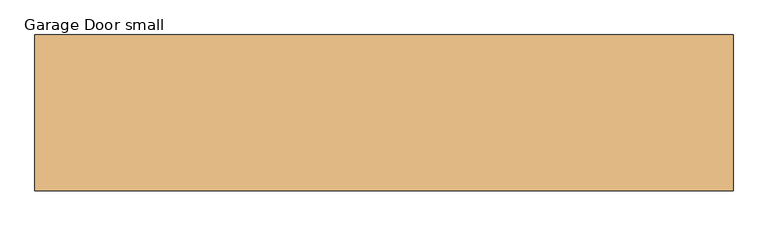
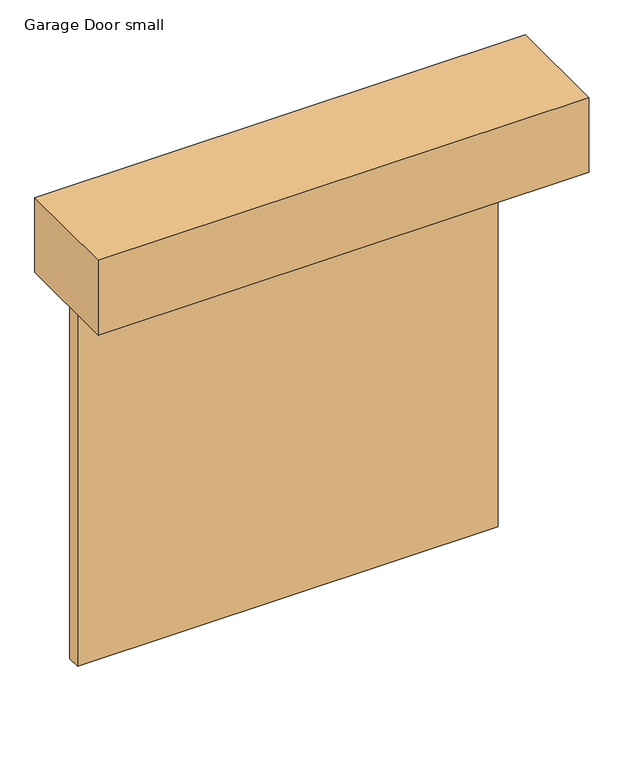
"""IFC4 building model written with IfcOpenShell, lengths in millimetres: door geometry, Garage Door small."""

from ifc_helpers import new_model, si_unit, frame, origin, place, context, project, spatial, polyline, outline, extrude, faceted_brep, source, transform, mapped, element, save


def garage_door_small_449bd08f(model_context):
    return source(origin(), model_context, "Body", "SolidModel", [
        faceted_brep([(1219.2, -57.15, 2438.4), (-1219.2, -57.15, 2438.4), (-1219.2, -133.35, 2438.4), (1219.2, -133.35, 2438.4), (1219.2, -57.15, 0.0), (1219.2, -133.35, 0.0), (-1219.2, -133.35, 0.0), (-1219.2, -57.15, 0.0), (76.2, -57.15, 2336.8), (76.2, -57.15, 1854.2), (1143.0, -57.15, 1854.2), (1143.0, -57.15, 2336.8), (-76.2, -57.15, 2336.8), (-1143.0, -57.15, 2336.8), (-1143.0, -57.15, 1854.2), (-76.2, -57.15, 1854.2), (76.2, -57.15, 1778.0), (76.2, -57.15, 1295.4), (1143.0, -57.15, 1295.4), (1143.0, -57.15, 1778.0), (-76.2, -57.15, 1778.0), (-1143.0, -57.15, 1778.0), (-1143.0, -57.15, 1295.4), (-76.2, -57.15, 1295.4), (76.2, -57.15, 1219.2), (76.2, -57.15, 736.6), (1143.0, -57.15, 736.6), (1143.0, -57.15, 1219.2), (-76.2, -57.15, 1219.2), (-1143.0, -57.15, 1219.2), (-1143.0, -57.15, 736.6), (-76.2, -57.15, 736.6), (76.2, -57.15, 660.4), (76.2, -57.15, 177.8), (1143.0, -57.15, 177.8), (1143.0, -57.15, 660.4), (-76.2, -57.15, 660.4), (-1143.0, -57.15, 660.4), (-1143.0, -57.15, 177.8), (-76.2, -57.15, 177.8), (76.2, -64.8193273, 2336.8), (1143.0, -64.8193273, 2336.8), (1143.0, -64.8193273, 1854.2), (76.2, -64.8193273, 1854.2), (-76.2, -64.8193273, 2336.8), (-76.2, -64.8193273, 1854.2), (-1143.0, -64.8193273, 1854.2), (-1143.0, -64.8193273, 2336.8), (76.2, -64.8193273, 1778.0), (1143.0, -64.8193273, 1778.0), (1143.0, -64.8193273, 1295.4), (76.2, -64.8193273, 1295.4), (-76.2, -64.8193273, 1778.0), (-76.2, -64.8193273, 1295.4), (-1143.0, -64.8193273, 1295.4), (-1143.0, -64.8193273, 1778.0), (76.2, -64.8193273, 1219.2), (1143.0, -64.8193273, 1219.2), (1143.0, -64.8193273, 736.6), (76.2, -64.8193273, 736.6), (-76.2, -64.8193273, 1219.2), (-76.2, -64.8193273, 736.6), (-1143.0, -64.8193273, 736.6), (-1143.0, -64.8193273, 1219.2), (76.2, -64.8193273, 660.4), (1143.0, -64.8193273, 660.4), (1143.0, -64.8193273, 177.8), (76.2, -64.8193273, 177.8), (-76.2, -64.8193273, 660.4), (-76.2, -64.8193273, 177.8), (-1143.0, -64.8193273, 177.8), (-1143.0, -64.8193273, 660.4)], [[[0, 1, 2, 3]], [[4, 5, 6, 7]], [[1, 0, 4, 7], [8, 9, 10, 11], [12, 13, 14, 15], [16, 17, 18, 19], [20, 21, 22, 23], [24, 25, 26, 27], [28, 29, 30, 31], [32, 33, 34, 35], [36, 37, 38, 39]], [[2, 1, 7, 6]], [[3, 2, 6, 5]], [[0, 3, 5, 4]], [[40, 41, 42, 43]], [[44, 45, 46, 47]], [[48, 49, 50, 51]], [[52, 53, 54, 55]], [[56, 57, 58, 59]], [[60, 61, 62, 63]], [[64, 65, 66, 67]], [[68, 69, 70, 71]], [[40, 43, 9, 8]], [[43, 42, 10, 9]], [[42, 41, 11, 10]], [[41, 40, 8, 11]], [[44, 47, 13, 12]], [[47, 46, 14, 13]], [[46, 45, 15, 14]], [[45, 44, 12, 15]], [[48, 51, 17, 16]], [[51, 50, 18, 17]], [[50, 49, 19, 18]], [[49, 48, 16, 19]], [[52, 55, 21, 20]], [[55, 54, 22, 21]], [[54, 53, 23, 22]], [[53, 52, 20, 23]], [[56, 59, 25, 24]], [[59, 58, 26, 25]], [[58, 57, 27, 26]], [[57, 56, 24, 27]], [[60, 63, 29, 28]], [[63, 62, 30, 29]], [[62, 61, 31, 30]], [[61, 60, 28, 31]], [[64, 67, 33, 32]], [[67, 66, 34, 33]], [[66, 65, 35, 34]], [[65, 64, 32, 35]], [[68, 71, 37, 36]], [[71, 70, 38, 37]], [[70, 69, 39, 38]], [[69, 68, 36, 39]]]),
        extrude(outline(polyline([(1422.4, -692.15), (-1422.4, -692.15), (-1422.4, -57.15), (1422.4, -57.15), (1422.4, -692.15)])), frame((0.0, 0.0, 2438.4), z_axis=(0.0, 0.0, 1.0), x_axis=(1.0, 0.0, 0.0)), (0.0, 0.0, 1.0), 457.2),
    ])


if __name__ == "__main__":
    model = new_model("IFC4")
    model_context = context("Model", 3, world=origin())
    ifc_project = project(units=[si_unit("LENGTHUNIT", "METRE", prefix="MILLI")], contexts=[model_context])
    site = spatial("IfcSite", under=ifc_project)
    building = spatial("IfcBuilding", under=site)
    placement = place(None, origin())
    garage_door_small_shape = garage_door_small_449bd08f(model_context)
    element("IfcDoor", 1, ObjectType="Garage Door small", at=placement, inside=building, context=model_context, shape_type="MappedRepresentation", body=[
        mapped(garage_door_small_shape, transform((0.0, 0.0, 0.0), x_axis=(1.0, 0.0, 0.0), y_axis=(0.0, 1.0, 0.0), z_axis=(0.0, 0.0, 1.0))),
    ])
    save(model, "model.ifc")
